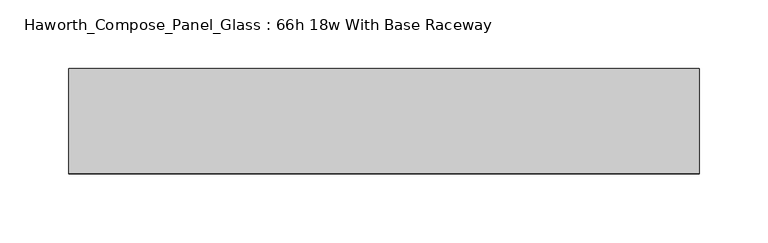
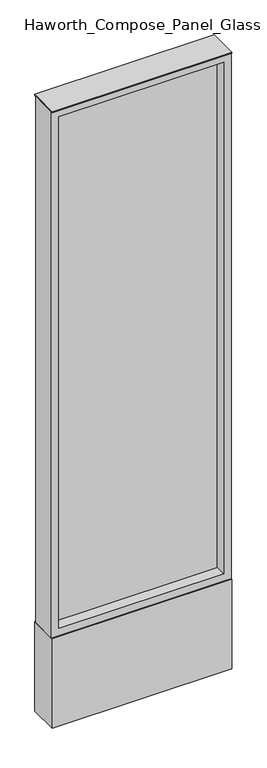
"""IFC4 building model written with IfcOpenShell, lengths in millimetres: furniture geometry, Haworth_Compose_Panel_Glass : 66h 18w With Base Raceway."""

from ifc_helpers import new_model, si_unit, point, frame, frame_2d, origin, origin_with_axes, place, context, project, spatial, polyline, circle_curve, trimmed, segment, composite_curve, outline, extrude, source, transform, mapped, element, save


def haworth_compose_panel_glass_66h_18w_with_base_raceway_6e2a6a61(model_context):
    return source(origin(), model_context, "Body", "SweptSolid", [
        extrude(outline(composite_curve([segment(trimmed(circle_curve(frame_2d((154.8402902, 0.0)), 12.7), [point((142.1402902, 0.0))], [point((167.5402902, 0.0))], False, "CARTESIAN"), True, "CONTINUOUS"), segment(trimmed(circle_curve(frame_2d((154.8402902, 0.0)), 12.7), [point((167.5402902, 0.0))], [point((142.1402902, 0.0))], False, "CARTESIAN"), True, "CONTINUOUS")], self_intersect=False)), origin_with_axes(), (0.0, 0.0, 1.0), 12.7),
        extrude(outline(composite_curve([segment(trimmed(circle_curve(frame_2d((-149.9597098, 0.0)), 12.7), [point((-162.6597098, 0.0))], [point((-137.2597098, 0.0))], False, "CARTESIAN"), True, "CONTINUOUS"), segment(trimmed(circle_curve(frame_2d((-149.9597098, 0.0)), 12.7), [point((-137.2597098, 0.0))], [point((-162.6597098, 0.0))], False, "CARTESIAN"), True, "CONTINUOUS")], self_intersect=False)), origin_with_axes(), (0.0, 0.0, 1.0), 12.7),
        extrude(outline(polyline([(211.9902902, -6.35), (-207.1097098, -6.35), (-207.1097098, 6.35), (211.9902902, 6.35), (211.9902902, -6.35)])), frame((0.0, 0.0, 273.05), z_axis=(0.0, 0.0, 1.0), x_axis=(1.0, 0.0, 0.0)), (0.0, 0.0, 1.0), 1377.95),
        extrude(outline(polyline([(1670.05, -226.1597098), (254.0, -226.1597098), (254.0, 231.0402902), (1670.05, 231.0402902), (1670.05, -226.1597098)]), holes=[polyline([(1651.0, 211.9902902), (273.05, 211.9902902), (273.05, -207.1097098), (1651.0, -207.1097098), (1651.0, 211.9902902)])]), frame((0.0, -34.925, 0.0), z_axis=(0.0, 1.0, 0.0), x_axis=(0.0, 0.0, 1.0)), (0.0, 0.0, 1.0), 69.85),
        extrude(outline(polyline([(-226.1597098, 38.1), (231.0402902, 38.1), (231.0402902, -38.1), (-226.1597098, -38.1), (-226.1597098, 38.1)])), frame((0.0, 0.0, 12.7), z_axis=(0.0, 0.0, 1.0), x_axis=(1.0, 0.0, 0.0)), (0.0, 0.0, 1.0), 241.3),
        extrude(outline(polyline([(-226.1597098, -38.1), (-226.1597098, 38.1), (231.0402902, 38.1), (231.0402902, -38.1), (-226.1597098, -38.1)])), frame((0.0, 0.0, 1670.05), z_axis=(0.0, 0.0, 1.0), x_axis=(1.0, 0.0, 0.0)), (0.0, 0.0, 1.0), 3.175),
    ])


if __name__ == "__main__":
    model = new_model("IFC4")
    model_context = context("Model", 3, world=origin())
    ifc_project = project(units=[si_unit("LENGTHUNIT", "METRE", prefix="MILLI")], contexts=[model_context])
    site = spatial("IfcSite", under=ifc_project)
    building = spatial("IfcBuilding", under=site)
    placement = place(None, origin())
    haworth_compose_panel_glass_66h_18w_with_base_raceway_shape = haworth_compose_panel_glass_66h_18w_with_base_raceway_6e2a6a61(model_context)
    element("IfcFurniture", 1, ObjectType="Haworth_Compose_Panel_Glass : 66h 18w With Base Raceway", at=placement, inside=building, context=model_context, shape_type="MappedRepresentation", body=[
        mapped(haworth_compose_panel_glass_66h_18w_with_base_raceway_shape, transform((0.0, 0.0, 0.0), x_axis=(1.0, 0.0, 0.0), y_axis=(0.0, 1.0, 0.0), z_axis=(0.0, 0.0, 1.0))),
    ])
    save(model, "model.ifc")
